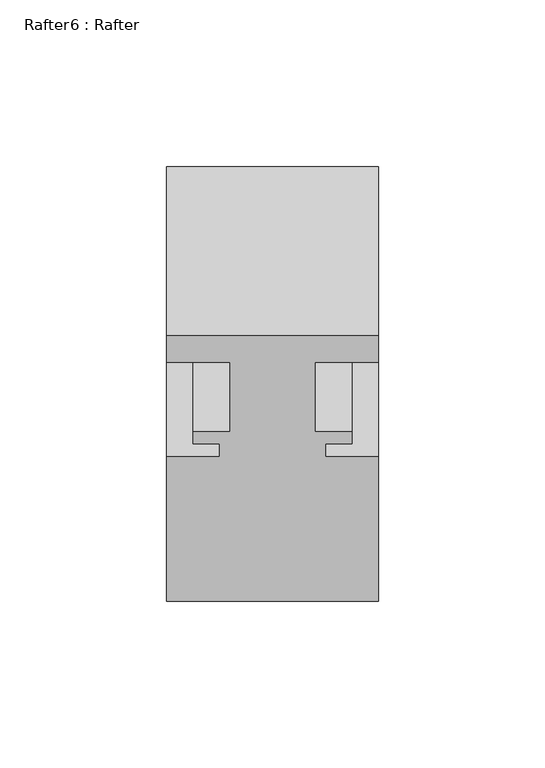
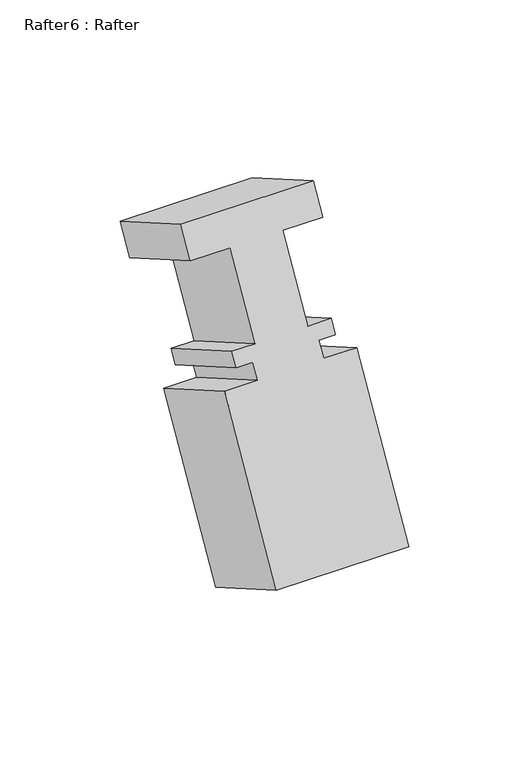
"""IFC4 building model written with IfcOpenShell, lengths in millimetres: proxy geometry, Rafter6 : Rafter."""

from ifc_helpers import new_model, si_unit, frame, origin, place, context, project, spatial, polyline, outline, extrude, source, transform, mapped, element, save


def rafter6_rafter_531d9eb4(model_context):
    return source(origin(), model_context, "Body", "SweptSolid", [
        extrude(outline(polyline([(0.0, 0.0), (0.0, -63.5), (-15.8902734, -63.5), (-15.8902734, -44.45), (-57.531, -44.45), (-57.531, -55.5752), (-64.6938, -55.5752), (-64.6938, -47.625), (-72.5932001, -47.625), (-72.5932001, -63.5), (-159.1310001, -63.5), (-159.1310001, 0.0), (-72.5932001, 0.0), (-72.5932001, -15.875), (-64.6938, -15.875), (-64.6938, -7.9248), (-57.531, -7.9248), (-57.531, -19.05), (-15.8691296, -19.05), (-15.8691296, 0.0), (0.0, 0.0)])), frame((10114.7526877, -20132.8183901, 1263.2536414), z_axis=(0.0, -0.8660254037844398, 0.499999999999998), x_axis=(0.0, 0.499999999999998, 0.8660254037844398)), (0.0, 0.0, 1.0), 58.4547221),
    ])


if __name__ == "__main__":
    model = new_model("IFC4")
    model_context = context("Model", 3, world=origin())
    ifc_project = project(units=[si_unit("LENGTHUNIT", "METRE", prefix="MILLI")], contexts=[model_context])
    site = spatial("IfcSite", under=ifc_project)
    building = spatial("IfcBuilding", under=site)
    placement = place(None, origin())
    rafter6_rafter_shape = rafter6_rafter_531d9eb4(model_context)
    element("IfcBuildingElementProxy", 1, Name="Rafter6 : Rafter", ObjectType="Rafter6 : Rafter", at=placement, inside=building, context=model_context, shape_type="MappedRepresentation", body=[
        mapped(rafter6_rafter_shape, transform((0.0, 0.0, 0.0), x_axis=(1.0, 0.0, 0.0), y_axis=(0.0, 1.0, 0.0), z_axis=(0.0, 0.0, 1.0))),
    ])
    save(model, "model.ifc")
